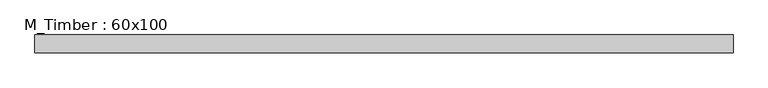
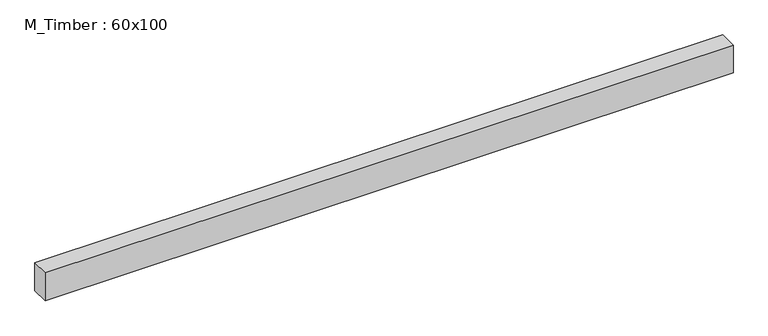
"""IFC4 building model written with IfcOpenShell, lengths in millimetres: beam geometry, M_Timber : 60x100."""

from ifc_helpers import new_model, si_unit, frame, origin, place, context, project, spatial, polyline, outline, extrude, source, transform, mapped, element, save


def m_timber_60x100_e52330ee(model_context):
    return source(origin(), model_context, "Body", "SweptSolid", [
        extrude(outline(polyline([(1260.1374282, 30.0), (1260.1374282, -30.0), (-1073.7449462, -30.0), (-1073.7449462, 30.0), (1260.1374282, 30.0)])), frame((0.0, 0.0, -50.0), z_axis=(0.0, 0.0, 1.0), x_axis=(1.0, 0.0, 0.0)), (0.0, 0.0, 1.0), 100.0),
    ])


if __name__ == "__main__":
    model = new_model("IFC4")
    model_context = context("Model", 3, world=origin())
    ifc_project = project(units=[si_unit("LENGTHUNIT", "METRE", prefix="MILLI")], contexts=[model_context])
    site = spatial("IfcSite", under=ifc_project)
    building = spatial("IfcBuilding", under=site)
    placement = place(None, origin())
    m_timber_60x100_shape = m_timber_60x100_e52330ee(model_context)
    element("IfcBeam", 1, ObjectType="M_Timber : 60x100", at=placement, inside=building, context=model_context, shape_type="MappedRepresentation", body=[
        mapped(m_timber_60x100_shape, transform((0.0, 0.0, 0.0), x_axis=(1.0, 0.0, 0.0), y_axis=(0.0, 1.0, 0.0), z_axis=(0.0, 0.0, 1.0))),
    ])
    save(model, "model.ifc")
